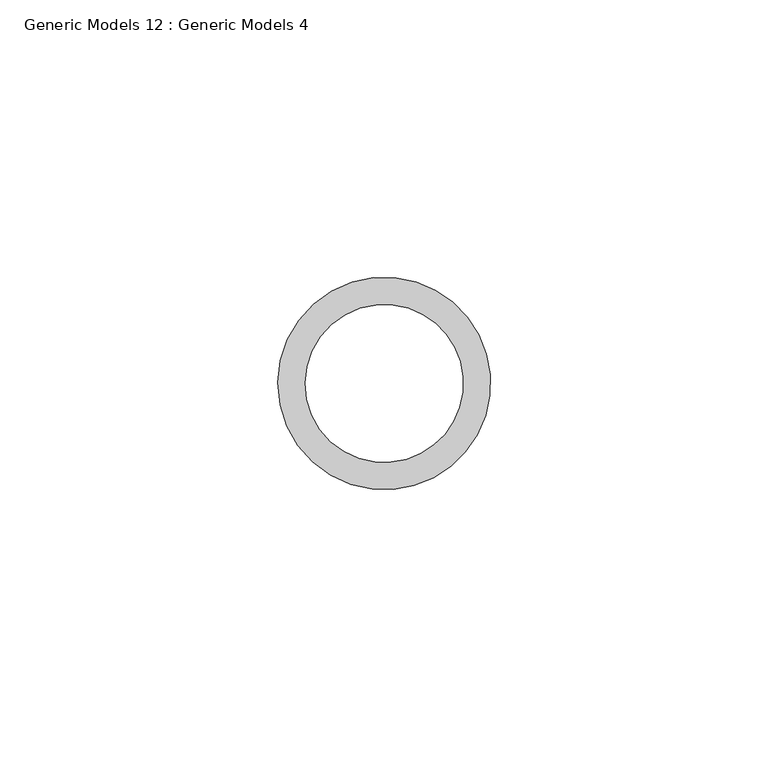
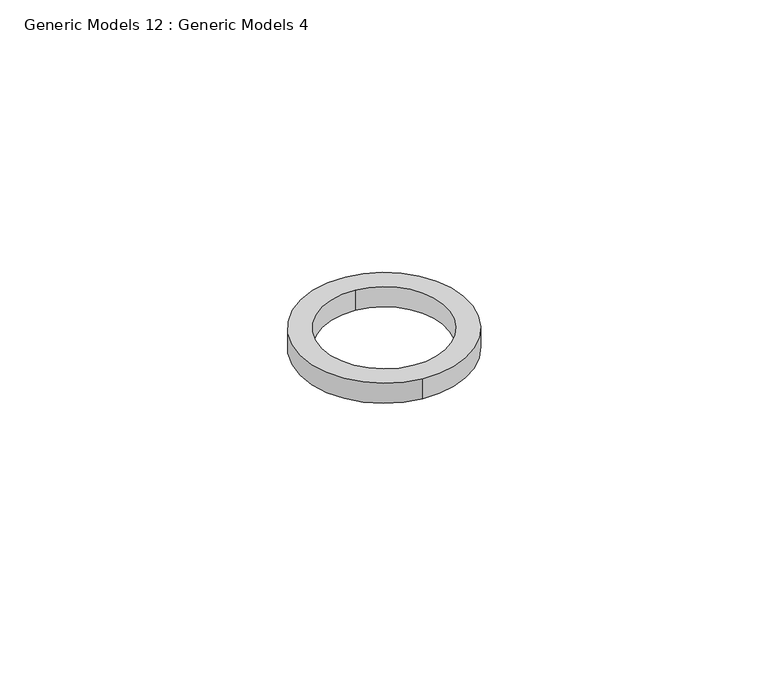
"""IFC4 building model written with IfcOpenShell, lengths in millimetres: proxy geometry, Generic Models 12 : Generic Models 4."""

from ifc_helpers import new_model, si_unit, point, frame, frame_2d, origin, place, context, project, spatial, circle_curve, trimmed, segment, composite_curve, outline, extrude, source, transform, mapped, element, save


def generic_models_12_generic_models_4_07abed84(model_context):
    return source(origin(), model_context, "Body", "SweptSolid", [
        extrude(outline(composite_curve([segment(trimmed(circle_curve(frame_2d((31584.2997574, -15547.704801)), 19.1318308), [point((31582.1716718, -15566.717907))], [point((31586.4278429, -15528.6916949))], False, "CARTESIAN"), True, "CONTINUOUS"), segment(trimmed(circle_curve(frame_2d((31584.2997574, -15547.704801)), 19.1318308), [point((31586.4278429, -15528.6916949))], [point((31582.1716718, -15566.717907))], False, "CARTESIAN"), True, "CONTINUOUS")], self_intersect=False), holes=[composite_curve([segment(trimmed(circle_curve(frame_2d((31584.2997574, -15547.704801)), 14.2122074), [point((31582.7188949, -15561.8288129))], [point((31585.8806198, -15533.5807891))], True, "CARTESIAN"), True, "CONTINUOUS"), segment(trimmed(circle_curve(frame_2d((31584.2997574, -15547.704801)), 14.2122074), [point((31585.8806198, -15533.5807891))], [point((31582.7188949, -15561.8288129))], True, "CARTESIAN"), True, "CONTINUOUS")], self_intersect=False)]), frame((0.0, 0.0, 858.220023), z_axis=(0.0, 0.0, 1.0), x_axis=(1.0, 0.0, 0.0)), (0.0, 0.0, 1.0), 4.891176),
    ])


if __name__ == "__main__":
    model = new_model("IFC4")
    model_context = context("Model", 3, world=origin())
    ifc_project = project(units=[si_unit("LENGTHUNIT", "METRE", prefix="MILLI")], contexts=[model_context])
    site = spatial("IfcSite", under=ifc_project)
    building = spatial("IfcBuilding", under=site)
    placement = place(None, origin())
    generic_models_12_generic_models_4_shape = generic_models_12_generic_models_4_07abed84(model_context)
    element("IfcBuildingElementProxy", 1, Name="Generic Models 12 : Generic Models 4", ObjectType="Generic Models 12 : Generic Models 4", at=placement, inside=building, context=model_context, shape_type="MappedRepresentation", body=[
        mapped(generic_models_12_generic_models_4_shape, transform((0.0, 0.0, 0.0), x_axis=(1.0, 0.0, 0.0), y_axis=(0.0, 1.0, 0.0), z_axis=(0.0, 0.0, 1.0))),
    ])
    save(model, "model.ifc")
